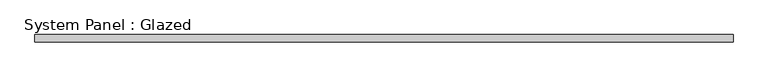
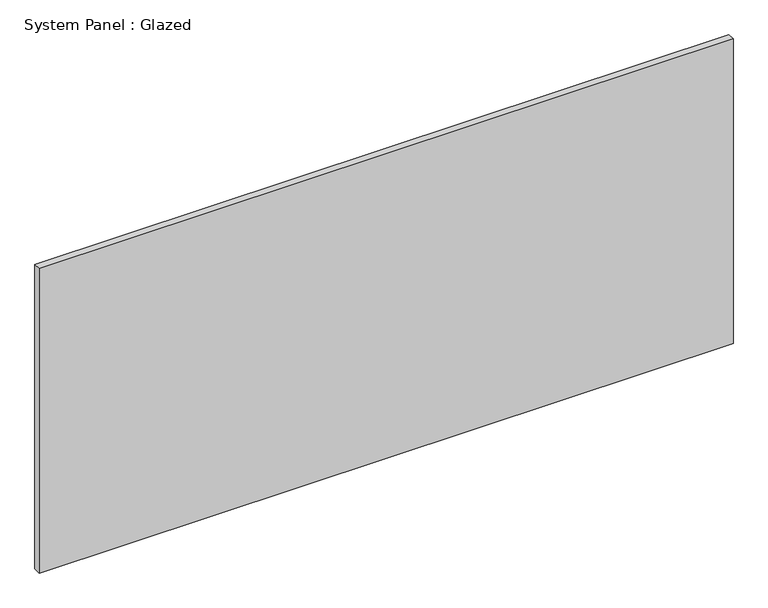
"""IFC4 building model written with IfcOpenShell, lengths in millimetres: plate geometry, System Panel : Glazed."""

import ifcopenshell
import ifcopenshell.guid

model = None  # the IFC model being written
_history = None  # IfcOwnerHistory: only IFC2X3 demands one
_inside = {}  # id of a spatial element -> (the spatial element, [elements in it])
_under = {}  # id of a project, library or spatial element -> (it, [spatial elements below it])
_declared = {}  # id of a project -> (the project, [libraries it declares])
_typed = {}  # id of a type object -> (the type object, [elements of that type])
_made_of = {}  # id of a material, layer set ... -> (it, [elements and type objects made of it])


def new_model(schema):
    """Start an empty IFC model of exactly this schema.

    Asked for "IFC4X3", IfcOpenShell would pick the latest addendum, in which some entities
    have other attributes; the version numbers below select the first issue.
    IFC2X3 requires an IfcOwnerHistory on every rooted entity: one is made here for all.
    """
    global model, _history
    if schema == "IFC4X3":
        model = ifcopenshell.file(schema_version=(4, 3, 0, 0))
    else:
        model = ifcopenshell.file(schema=schema)
    _inside.clear()
    _under.clear()
    _declared.clear()
    _typed.clear()
    _made_of.clear()
    _history = None
    if model.schema == "IFC2X3":
        org = make("IfcOrganization", Name="unknown")
        user = make(
            "IfcPersonAndOrganization",
            ThePerson=make("IfcPerson", FamilyName="unknown"),
            TheOrganization=org,
        )
        app = make(
            "IfcApplication",
            ApplicationDeveloper=org,
            Version="unknown",
            ApplicationFullName="unknown",
            ApplicationIdentifier="unknown",
        )
        _history = make(
            "IfcOwnerHistory",
            OwningUser=user,
            OwningApplication=app,
            ChangeAction="ADDED",
            CreationDate=0,
        )
    return model


def make(cls, **values):
    """One entity of the class cls with the attributes given. An attribute that is None is left unset."""
    return model.create_entity(
        cls, **{name: value for name, value in values.items() if value is not None}
    )


def rooted(cls, **values):
    """An entity with a GlobalId (a new one), such as an element, a storey or a relation."""
    return make(cls, GlobalId=ifcopenshell.guid.new(), OwnerHistory=_history, **values)


def si_unit(unit_type, name, prefix=None):
    """IfcSIUnit, for example si_unit("LENGTHUNIT", "METRE", prefix="MILLI")."""
    return make("IfcSIUnit", UnitType=unit_type, Prefix=prefix, Name=name)


def assignment(units):
    """IfcUnitAssignment: the units of a project."""
    return None if units is None else make("IfcUnitAssignment", Units=units)


def point(xyz):
    """IfcCartesianPoint."""
    return None if xyz is None else make("IfcCartesianPoint", Coordinates=xyz)


def direction(xyz):
    """IfcDirection."""
    return None if xyz is None else make("IfcDirection", DirectionRatios=xyz)


def frame(location, z_axis=None, x_axis=None):
    """IfcAxis2Placement3D, a coordinate frame: its origin and axes. An axis left out is left unset."""
    return make(
        "IfcAxis2Placement3D",
        Location=point(location),
        Axis=direction(z_axis),
        RefDirection=direction(x_axis),
    )


def origin():
    """The frame at (0, 0, 0) with its axes left unset."""
    return frame((0.0, 0.0, 0.0))


def origin_with_axes():
    """The frame at (0, 0, 0) with the z axis (0, 0, 1) and the x axis (1, 0, 0) written out."""
    return frame((0.0, 0.0, 0.0), z_axis=(0.0, 0.0, 1.0), x_axis=(1.0, 0.0, 0.0))


def place(relative_to, where):
    """IfcLocalPlacement: puts the frame where relative to a parent placement (None: the world)."""
    return make(
        "IfcLocalPlacement", PlacementRelTo=relative_to, RelativePlacement=where
    )


def context(
    kind, dimensions, precision=None, world=None, true_north=None, identifier=None
):
    """IfcGeometricRepresentationContext, for example the 3D "Model" context."""
    return make(
        "IfcGeometricRepresentationContext",
        ContextIdentifier=identifier,
        ContextType=kind,
        CoordinateSpaceDimension=dimensions,
        Precision=precision,
        WorldCoordinateSystem=world,
        TrueNorth=true_north,
    )


def project(units=None, contexts=None):
    """IfcProject with its units and contexts."""
    return rooted(
        "IfcProject",
        Name="project",
        RepresentationContexts=contexts,
        UnitsInContext=assignment(units),
    )


def spatial(cls, under=None, at=None, **own):
    """A site, building, storey or space (cls), placed at a placement, below another one or the project."""
    s = rooted(cls, ObjectPlacement=at, **own)
    if under is not None:
        _under.setdefault(under.id(), (under, []))[1].append(s)
    return s


def polyline(points):
    """IfcPolyline through the points."""
    return make("IfcPolyline", Points=[point(p) for p in points])


def outline(outer, holes=None, kind="AREA"):
    """IfcArbitraryClosedProfileDef: a profile drawn as a closed curve; with holes, ...WithVoids."""
    if holes is None:
        return make("IfcArbitraryClosedProfileDef", ProfileType=kind, OuterCurve=outer)
    return make(
        "IfcArbitraryProfileDefWithVoids",
        ProfileType=kind,
        OuterCurve=outer,
        InnerCurves=holes,
    )


def extrude(swept, where, along, depth):
    """IfcExtrudedAreaSolid: the profile swept, set in the frame where, extruded along a direction by depth."""
    return make(
        "IfcExtrudedAreaSolid",
        SweptArea=swept,
        Position=where,
        ExtrudedDirection=direction(along),
        Depth=depth,
    )


def shape(context_of_items, identifier, shape_type, items):
    """IfcShapeRepresentation: the items that make up one representation, for example the "Body"."""
    return make(
        "IfcShapeRepresentation",
        ContextOfItems=context_of_items,
        RepresentationIdentifier=identifier,
        RepresentationType=shape_type,
        Items=items,
    )


def source(mapping_origin, context_of_items, identifier, shape_type, items):
    """IfcRepresentationMap: a shape defined once, which mapped items show again and again."""
    return make(
        "IfcRepresentationMap",
        MappingOrigin=mapping_origin,
        MappedRepresentation=shape(context_of_items, identifier, shape_type, items),
    )


def transform(
    local_origin,
    x_axis=None,
    y_axis=None,
    z_axis=None,
    scale=None,
    scale2=None,
    scale3=None,
    uniform=True,
):
    """IfcCartesianTransformationOperator3D, or its non-uniform kind. x_axis, y_axis, z_axis: its Axis1, 2, 3."""
    if uniform:
        return make(
            "IfcCartesianTransformationOperator3D",
            Axis1=direction(x_axis),
            Axis2=direction(y_axis),
            LocalOrigin=point(local_origin),
            Scale=scale,
            Axis3=direction(z_axis),
        )
    return make(
        "IfcCartesianTransformationOperator3DnonUniform",
        Axis1=direction(x_axis),
        Axis2=direction(y_axis),
        LocalOrigin=point(local_origin),
        Scale=scale,
        Axis3=direction(z_axis),
        Scale2=scale2,
        Scale3=scale3,
    )


def mapped(mapping_source, mapping_target):
    """IfcMappedItem: shows the shape of a source again, moved by a transform."""
    return make(
        "IfcMappedItem", MappingSource=mapping_source, MappingTarget=mapping_target
    )


def made_of(thing, what):
    """Note that an element or type object is made of a material, layer set ...; save() writes the relation."""
    if what is not None:
        _made_of.setdefault(what.id(), (what, []))[1].append(thing)
    return thing


def element(
    cls,
    number,
    at=None,
    inside=None,
    cuts=None,
    type_object=None,
    material=None,
    context=None,
    identifier="Body",
    shape_type=None,
    held_by="IfcProductDefinitionShape",
    body=None,
    shapes=None,
    **own,
):
    """One element of the class cls, such as IfcWall. Its Tag is "e" and its number.

    at: its placement. inside: the storey or other place that contains it. cuts: it is an
    opening in that element (IfcRelVoidsElement). A single representation is given by context,
    identifier, shape_type and body (its items); several are given by shapes. held_by: the class
    of the entity that holds the representations. save() writes the other relations.
    """
    e = rooted(cls, Tag="e%d" % number, ObjectPlacement=at, **own)
    if body is not None:
        shapes = [shape(context, identifier, shape_type, body)]
    if shapes is not None:
        e.Representation = make(held_by, Representations=shapes)
    if inside is not None:
        _inside.setdefault(inside.id(), (inside, []))[1].append(e)
    if cuts is not None:
        rooted(
            "IfcRelVoidsElement", RelatingBuildingElement=cuts, RelatedOpeningElement=e
        )
    if type_object is not None:
        _typed.setdefault(type_object.id(), (type_object, []))[1].append(e)
    return made_of(e, material)


def aggregate(whole, parts):
    """IfcRelAggregates: a whole, such as a stair, and the parts it consists of."""
    return rooted("IfcRelAggregates", RelatingObject=whole, RelatedObjects=parts)


def save(model, path):
    """Write the relations noted so far, then the file.

    IfcRelAggregates (storeys below a building ...), IfcRelContainedInSpatialStructure (elements
    in a storey), IfcRelDefinesByType, IfcRelAssociatesMaterial and IfcRelDeclares: one each for
    every whole, place, type object, material and project.
    """
    for whole, parts in _under.values():
        aggregate(whole, parts)
    for where, things in _inside.values():
        rooted(
            "IfcRelContainedInSpatialStructure",
            RelatedElements=things,
            RelatingStructure=where,
        )
    for kind, things in _typed.values():
        rooted("IfcRelDefinesByType", RelatedObjects=things, RelatingType=kind)
    for what, things in _made_of.values():
        rooted("IfcRelAssociatesMaterial", RelatedObjects=things, RelatingMaterial=what)
    for by, libraries in _declared.values():
        rooted("IfcRelDeclares", RelatingContext=by, RelatedDefinitions=libraries)
    model.write(path)


def system_panel_glazed_37159cd9(model_context):
    return source(origin(), model_context, "Body", "SweptSolid", [
        extrude(outline(polyline([(1238.25, -12.7), (-1238.25, -12.7), (-1238.25, 12.7), (1238.25, 12.7), (1238.25, -12.7)])), origin_with_axes(), (0.0, 0.0, 1.0), 1149.35),
    ])


if __name__ == "__main__":
    model = new_model("IFC4")
    model_context = context("Model", 3, world=origin())
    ifc_project = project(units=[si_unit("LENGTHUNIT", "METRE", prefix="MILLI")], contexts=[model_context])
    site = spatial("IfcSite", under=ifc_project)
    building = spatial("IfcBuilding", under=site)
    placement = place(None, origin())
    system_panel_glazed_shape = system_panel_glazed_37159cd9(model_context)
    element("IfcPlate", 1, ObjectType="System Panel : Glazed", at=placement, inside=building, context=model_context, shape_type="MappedRepresentation", body=[
        mapped(system_panel_glazed_shape, transform((0.0, 0.0, 0.0), x_axis=(1.0, 0.0, 0.0), y_axis=(0.0, 1.0, 0.0), z_axis=(0.0, 0.0, 1.0))),
    ])
    save(model, "model.ifc")
